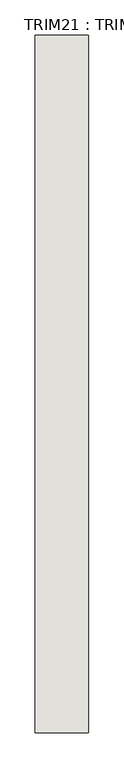
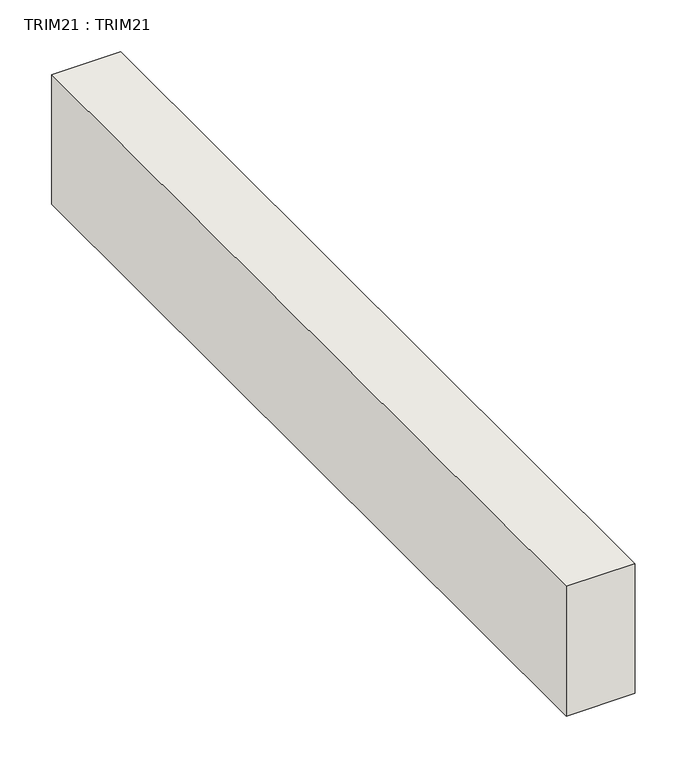
"""IFC4 building model written with IfcOpenShell, lengths in millimetres: wall geometry, TRIM21 : TRIM21."""

from ifc_helpers import new_model, si_unit, frame, origin, place, context, project, spatial, polyline, outline, extrude, source, transform, mapped, element, save


def trim21_trim21_f36c8fd0(model_context):
    return source(origin(), model_context, "Body", "SweptSolid", [
        extrude(outline(polyline([(-15611.8716415, 5865.6982965), (-15611.8716415, 6856.2982965), (-15535.6716415, 6856.2982965), (-15535.6716415, 5865.6982965), (-15611.8716415, 5865.6982965)])), frame((0.0, 0.0, 7924.8), z_axis=(0.0, 0.0, 1.0), x_axis=(1.0, 0.0, 0.0)), (0.0, 0.0, 1.0), 152.4),
    ])


if __name__ == "__main__":
    model = new_model("IFC4")
    model_context = context("Model", 3, world=origin())
    ifc_project = project(units=[si_unit("LENGTHUNIT", "METRE", prefix="MILLI")], contexts=[model_context])
    site = spatial("IfcSite", under=ifc_project)
    building = spatial("IfcBuilding", under=site)
    placement = place(None, origin())
    trim21_trim21_shape = trim21_trim21_f36c8fd0(model_context)
    element("IfcWall", 1, ObjectType="TRIM21 : TRIM21", at=placement, inside=building, context=model_context, shape_type="MappedRepresentation", body=[
        mapped(trim21_trim21_shape, transform((0.0, 0.0, 0.0), x_axis=(1.0, 0.0, 0.0), y_axis=(0.0, 1.0, 0.0), z_axis=(0.0, 0.0, 1.0))),
    ])
    save(model, "model.ifc")
